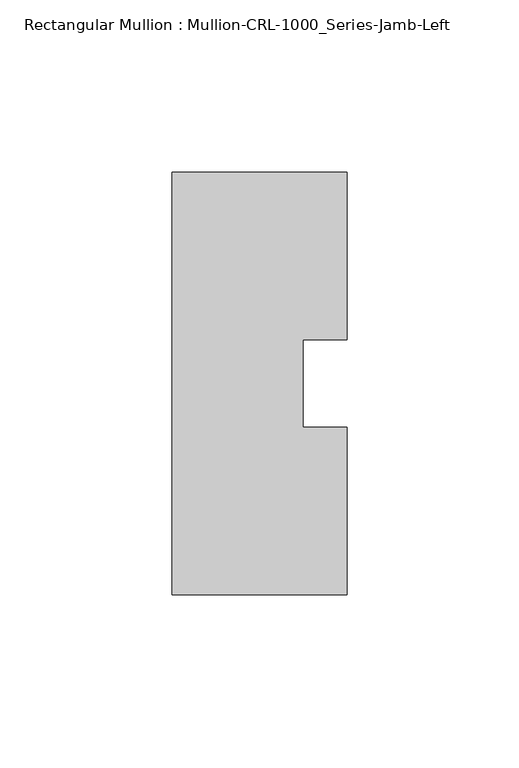
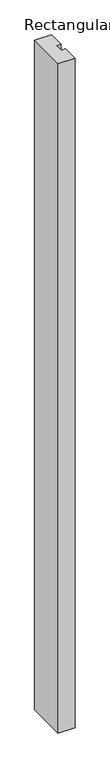
"""IFC4 building model written with IfcOpenShell, lengths in millimetres: member geometry, Rectangular Mullion : Mullion-CRL-1000_Series-Jamb-Left."""

from ifc_helpers import new_model, si_unit, frame, origin, place, context, project, spatial, polyline, outline, extrude, source, transform, mapped, element, save


def rectangular_mullion_mullion_crl_1000_series_jamb_left_76f14676(model_context):
    return source(origin(), model_context, "Body", "SweptSolid", [
        extrude(outline(polyline([(0.0, 61.339347), (0.0, 12.7), (-12.6999468, 12.7), (-12.6999468, -12.7), (0.0, -12.7), (0.0, -61.339347), (-50.8, -61.339347), (-50.8, 61.339347), (0.0, 61.339347)])), frame((0.0, 0.0, -2133.6), z_axis=(0.0, 0.0, 1.0), x_axis=(1.0, 0.0, 0.0)), (0.0, 0.0, 1.0), 2133.6),
    ])


if __name__ == "__main__":
    model = new_model("IFC4")
    model_context = context("Model", 3, world=origin())
    ifc_project = project(units=[si_unit("LENGTHUNIT", "METRE", prefix="MILLI")], contexts=[model_context])
    site = spatial("IfcSite", under=ifc_project)
    building = spatial("IfcBuilding", under=site)
    placement = place(None, origin())
    rectangular_mullion_mullion_crl_1000_series_jamb_left_shape = rectangular_mullion_mullion_crl_1000_series_jamb_left_76f14676(model_context)
    element("IfcMember", 1, ObjectType="Rectangular Mullion : Mullion-CRL-1000_Series-Jamb-Left", at=placement, inside=building, context=model_context, shape_type="MappedRepresentation", body=[
        mapped(rectangular_mullion_mullion_crl_1000_series_jamb_left_shape, transform((0.0, 0.0, 0.0), x_axis=(1.0, 0.0, 0.0), y_axis=(0.0, 1.0, 0.0), z_axis=(0.0, 0.0, 1.0))),
    ])
    save(model, "model.ifc")
